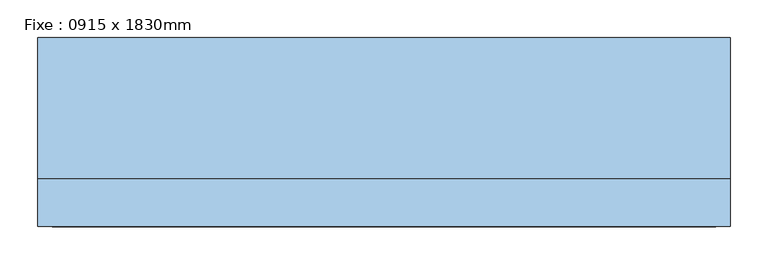
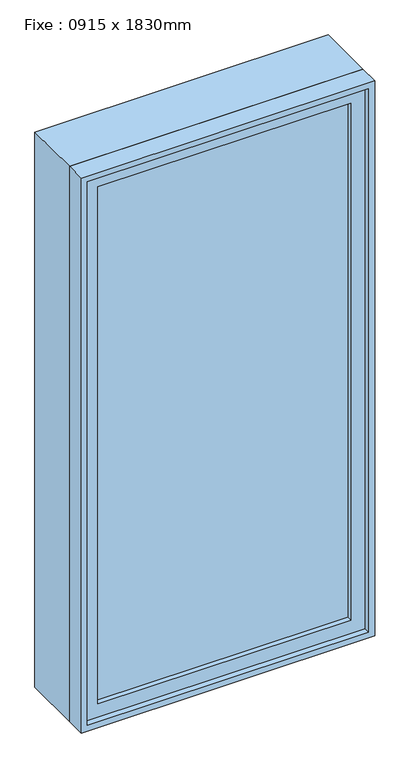
"""IFC4 building model written with IfcOpenShell, lengths in millimetres: window geometry, Fixe : 0915 x 1830mm."""

from ifc_helpers import new_model, si_unit, frame, origin, place, context, project, spatial, polyline, outline, extrude, source, transform, mapped, element, save


def fixe_0915_x_1830mm_2c9f23f2(model_context):
    return source(origin(), model_context, "Body", "SweptSolid", [
        extrude(outline(polyline([(-394.5, -103.0), (-394.5, -91.0), (394.5, -91.0), (394.5, -103.0), (-394.5, -103.0)])), frame((0.0, 0.0, 368.0), z_axis=(0.0, 0.0, 1.0), x_axis=(1.0, 0.0, 0.0)), (0.0, 0.0, 1.0), 1704.0),
        extrude(outline(polyline([(2116.0, -438.5), (324.0, -438.5), (324.0, 438.5), (2116.0, 438.5), (2116.0, -438.5)]), holes=[polyline([(2072.0, -394.5), (2072.0, 394.5), (368.0, 394.5), (368.0, -394.5), (2072.0, -394.5)])]), frame((0.0, -119.0, 0.0), z_axis=(0.0, 1.0, 0.0), x_axis=(0.0, 0.0, 1.0)), (0.0, 0.0, 1.0), 44.0),
        extrude(outline(polyline([(2135.0, -457.5), (305.0, -457.5), (305.0, 457.5), (2135.0, 457.5), (2135.0, -457.5)]), holes=[polyline([(2116.0, -438.5), (2116.0, 438.5), (324.0, 438.5), (324.0, -438.5), (2116.0, -438.5)])]), frame((0.0, -138.0, 0.0), z_axis=(0.0, 1.0, 0.0), x_axis=(0.0, 0.0, 1.0)), (0.0, 0.0, 1.0), 63.0),
        extrude(outline(polyline([(2135.0, -457.5), (305.0, -457.5), (305.0, 457.5), (2135.0, 457.5), (2135.0, -457.5)]), holes=[polyline([(2103.0, -425.5), (2103.0, 425.5), (337.0, 425.5), (337.0, -425.5), (2103.0, -425.5)])]), frame((0.0, -75.0, 0.0), z_axis=(0.0, 1.0, 0.0), x_axis=(0.0, 0.0, 1.0)), (0.0, 0.0, 1.0), 187.0),
    ])


if __name__ == "__main__":
    model = new_model("IFC4")
    model_context = context("Model", 3, world=origin())
    ifc_project = project(units=[si_unit("LENGTHUNIT", "METRE", prefix="MILLI")], contexts=[model_context])
    site = spatial("IfcSite", under=ifc_project)
    building = spatial("IfcBuilding", under=site)
    placement = place(None, origin())
    fixe_0915_x_1830mm_shape = fixe_0915_x_1830mm_2c9f23f2(model_context)
    element("IfcWindow", 1, ObjectType="Fixe : 0915 x 1830mm", at=placement, inside=building, context=model_context, shape_type="MappedRepresentation", body=[
        mapped(fixe_0915_x_1830mm_shape, transform((0.0, 0.0, 0.0), x_axis=(1.0, 0.0, 0.0), y_axis=(0.0, 1.0, 0.0), z_axis=(0.0, 0.0, 1.0))),
    ])
    save(model, "model.ifc")
